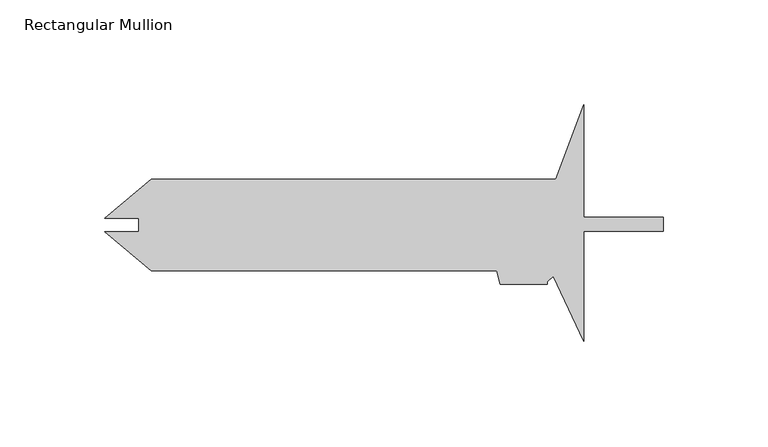
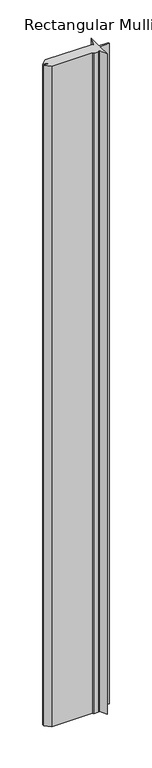
"""IFC4 building model written with IfcOpenShell, lengths in millimetres: member geometry, Rectangular Mullion."""

from ifc_helpers import new_model, si_unit, frame, origin, place, context, project, spatial, polyline, outline, extrude, source, transform, mapped, element, save


def rectangular_mullion_50bf031d(model_context):
    return source(origin(), model_context, "Body", "SweptSolid", [
        extrude(outline(polyline([(-51.3825856, 53.5455813), (-38.1000436, 89.1669438), (-38.1000436, 35.3464812), (0.0, 35.3464813), (0.0, 28.6154812), (-38.1000436, 28.6154812), (-38.1000436, -23.947771), (-52.5506328, 7.1765749), (-55.5625436, 4.4883698), (-55.5625436, 3.4059812), (-78.0418226, 3.4059812), (-79.7433, 9.7559812), (-244.7927568, 9.7559813), (-267.1175723, 28.4887258), (-250.8390136, 28.4887258), (-250.8390136, 34.8128367), (-267.1175723, 34.8128367), (-244.7927568, 53.5455813), (-51.3825856, 53.5455813)])), frame((0.0, 0.0, -2838.2583033), z_axis=(0.0, 0.0, 1.0), x_axis=(1.0, 0.0, 0.0)), (0.0, 0.0, 1.0), 2838.2583033),
    ])


if __name__ == "__main__":
    model = new_model("IFC4")
    model_context = context("Model", 3, world=origin())
    ifc_project = project(units=[si_unit("LENGTHUNIT", "METRE", prefix="MILLI")], contexts=[model_context])
    site = spatial("IfcSite", under=ifc_project)
    building = spatial("IfcBuilding", under=site)
    placement = place(None, origin())
    rectangular_mullion_shape = rectangular_mullion_50bf031d(model_context)
    element("IfcMember", 1, ObjectType="Rectangular Mullion", at=placement, inside=building, context=model_context, shape_type="MappedRepresentation", body=[
        mapped(rectangular_mullion_shape, transform((0.0, 0.0, 0.0), x_axis=(1.0, 0.0, 0.0), y_axis=(0.0, 1.0, 0.0), z_axis=(0.0, 0.0, 1.0))),
    ])
    save(model, "model.ifc")
